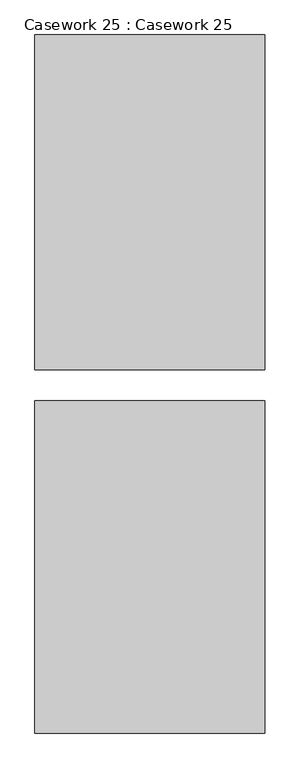
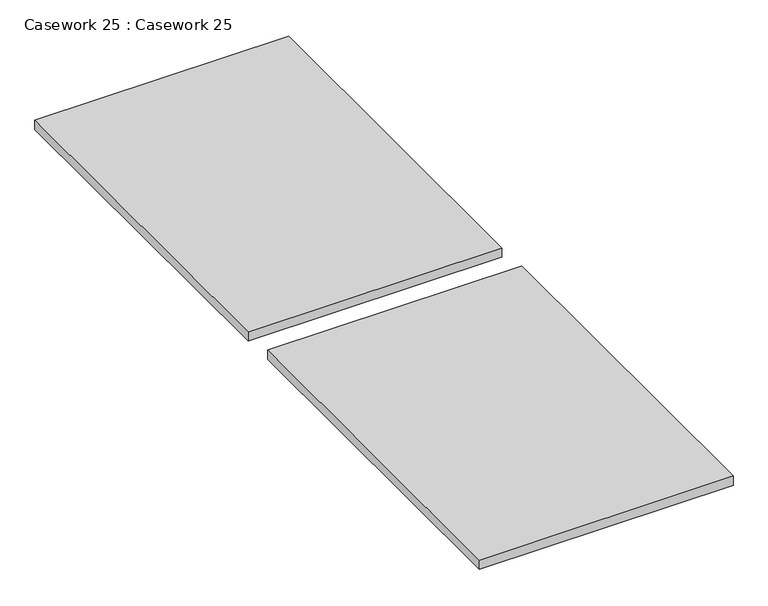
"""IFC4 building model written with IfcOpenShell, lengths in millimetres: furniture geometry, Casework 25 : Casework 25."""

from ifc_helpers import new_model, si_unit, frame, origin, place, context, project, spatial, polyline, outline, extrude, source, transform, mapped, element, save


def casework_25_casework_25_3cb9b17f(model_context):
    return source(origin(), model_context, "Body", "SweptSolid", [
        extrude(outline(polyline([(-24912.3375594, 6858.5343226), (-24912.3375594, 5508.5779724), (-25847.5103773, 5508.5779724), (-25847.5103773, 6858.5343226), (-24912.3375594, 6858.5343226)])), frame((0.0, 0.0, -5861.6271538), z_axis=(0.0, 0.0, 1.0), x_axis=(1.0, 0.0, 0.0)), (0.0, 0.0, 1.0), 35.6644695),
        extrude(outline(polyline([(-24912.3375594, 8346.5805424), (-24912.3375594, 6985.5343226), (-25847.5103773, 6985.5343226), (-25847.5103773, 8346.5805424), (-24912.3375594, 8346.5805424)])), frame((0.0, 0.0, -5867.6794293), z_axis=(0.0, 0.0, 1.0), x_axis=(1.0, 0.0, 0.0)), (0.0, 0.0, 1.0), 36.0793471),
    ])


if __name__ == "__main__":
    model = new_model("IFC4")
    model_context = context("Model", 3, world=origin())
    ifc_project = project(units=[si_unit("LENGTHUNIT", "METRE", prefix="MILLI")], contexts=[model_context])
    site = spatial("IfcSite", under=ifc_project)
    building = spatial("IfcBuilding", under=site)
    placement = place(None, origin())
    casework_25_casework_25_shape = casework_25_casework_25_3cb9b17f(model_context)
    element("IfcFurniture", 1, ObjectType="Casework 25 : Casework 25", at=placement, inside=building, context=model_context, shape_type="MappedRepresentation", body=[
        mapped(casework_25_casework_25_shape, transform((0.0, 0.0, 0.0), x_axis=(1.0, 0.0, 0.0), y_axis=(0.0, 1.0, 0.0), z_axis=(0.0, 0.0, 1.0))),
    ])
    save(model, "model.ifc")
